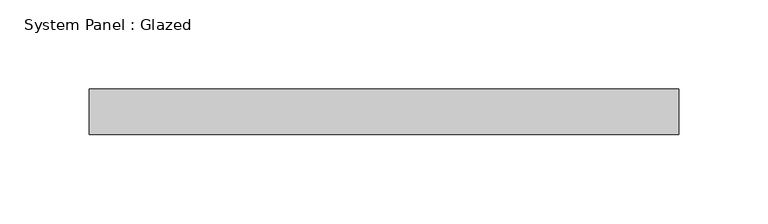
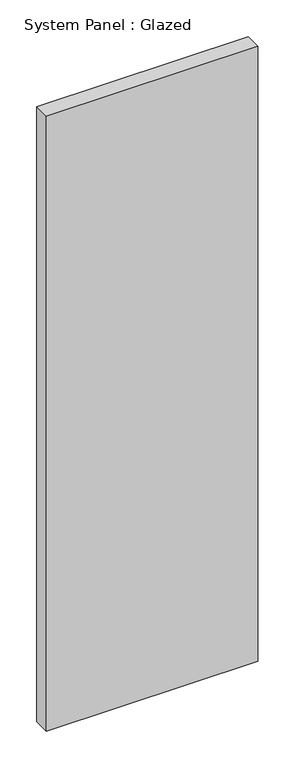
"""IFC4 building model written with IfcOpenShell, lengths in millimetres: plate geometry, System Panel : Glazed."""

from ifc_helpers import new_model, si_unit, origin, origin_with_axes, place, context, project, spatial, polyline, outline, extrude, source, transform, mapped, element, save


def system_panel_glazed_c98b833d(model_context):
    return source(origin(), model_context, "Body", "SweptSolid", [
        extrude(outline(polyline([(165.1, -44.45), (-165.1, -44.45), (-165.1, -19.05), (165.1, -19.05), (165.1, -44.45)])), origin_with_axes(), (0.0, 0.0, 1.0), 1016.0),
    ])


if __name__ == "__main__":
    model = new_model("IFC4")
    model_context = context("Model", 3, world=origin())
    ifc_project = project(units=[si_unit("LENGTHUNIT", "METRE", prefix="MILLI")], contexts=[model_context])
    site = spatial("IfcSite", under=ifc_project)
    building = spatial("IfcBuilding", under=site)
    placement = place(None, origin())
    system_panel_glazed_shape = system_panel_glazed_c98b833d(model_context)
    element("IfcPlate", 1, ObjectType="System Panel : Glazed", at=placement, inside=building, context=model_context, shape_type="MappedRepresentation", body=[
        mapped(system_panel_glazed_shape, transform((0.0, 0.0, 0.0), x_axis=(1.0, 0.0, 0.0), y_axis=(0.0, 1.0, 0.0), z_axis=(0.0, 0.0, 1.0))),
    ])
    save(model, "model.ifc")
